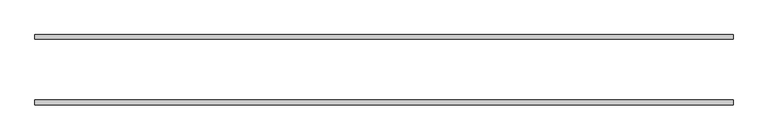
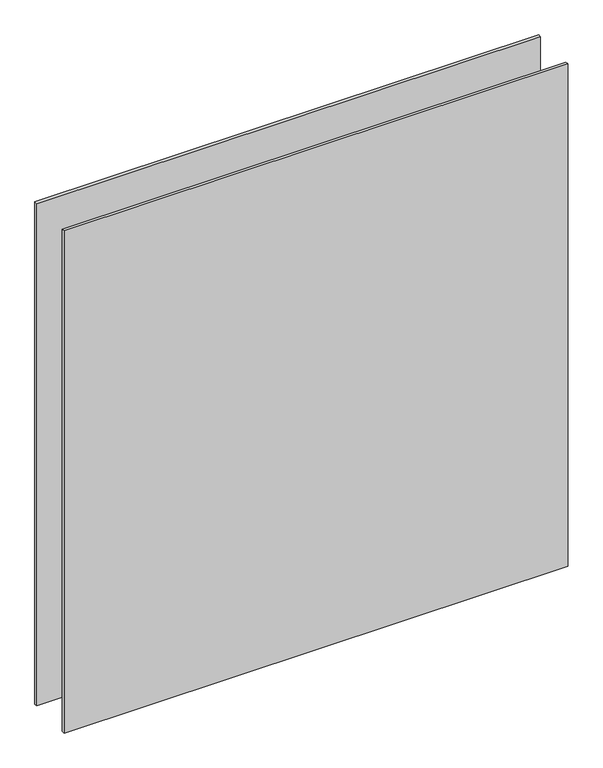
"""IFC4 building model written with IfcOpenShell, lengths in millimetres: plate geometry."""

from ifc_helpers import new_model, si_unit, origin, origin_with_axes, place, context, project, spatial, polyline, outline, extrude, source, transform, mapped, element, save


def plate_1dbabc81(model_context):
    return source(origin(), model_context, "Body", "SweptSolid", [
        extrude(outline(polyline([(-612.5, -61.5), (-612.5, -53.5), (612.5, -53.5), (612.5, -61.5), (-612.5, -61.5)])), origin_with_axes(), (0.0, 0.0, 1.0), 1290.0),
        extrude(outline(polyline([(612.5, 53.5), (-612.5, 53.5), (-612.5, 61.5), (612.5, 61.5), (612.5, 53.5)])), origin_with_axes(), (0.0, 0.0, 1.0), 1290.0),
    ])


if __name__ == "__main__":
    model = new_model("IFC4")
    model_context = context("Model", 3, world=origin())
    ifc_project = project(units=[si_unit("LENGTHUNIT", "METRE", prefix="MILLI")], contexts=[model_context])
    site = spatial("IfcSite", under=ifc_project)
    building = spatial("IfcBuilding", under=site)
    placement = place(None, origin())
    plate_shape = plate_1dbabc81(model_context)
    element("IfcPlate", 1, at=placement, inside=building, context=model_context, shape_type="MappedRepresentation", body=[
        mapped(plate_shape, transform((0.0, 0.0, 0.0), x_axis=(1.0, 0.0, 0.0), y_axis=(0.0, 1.0, 0.0), z_axis=(0.0, 0.0, 1.0))),
    ])
    save(model, "model.ifc")
